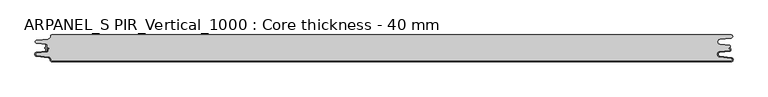
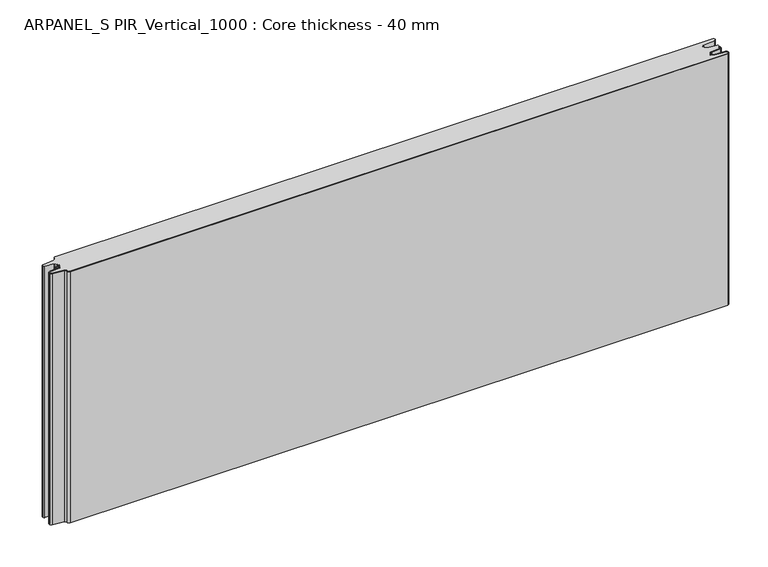
"""IFC4 building model written with IfcOpenShell, lengths in millimetres: plate geometry, ARPANEL_S PIR_Vertical_1000 : Core thickness - 40 mm."""

from ifc_helpers import new_model, si_unit, point, frame, frame_2d, origin, origin_with_axes, place, context, project, spatial, polyline, circle_curve, trimmed, segment, composite_curve, outline, extrude, source, transform, mapped, element, save
from ifc_brep_helpers import plane_surface, cylinder_surface, revolved_surface, advanced_brep


def arpanel_s_pir_vertical_1000_core_thickness_40_mm_3abf56da(model_context):
    return source(origin(), model_context, "Body", "SolidModel", [
        extrude(outline(composite_curve([segment(polyline([(-485.2854622, -19.4639745), (-484.0682894, -19.0209598), (-484.0682894, -15.20918)]), True, "CONTINUOUS"), segment(trimmed(circle_curve(frame_2d((-483.9194756, -17.302662)), 2.0987645), [point((-484.0682894, -15.20918))], [point((-482.465931, -15.7887199))], False, "CARTESIAN"), True, "CONTINUOUS"), segment(polyline([(-482.465931, -15.7887199), (-482.465931, -24.2112801)]), True, "CONTINUOUS"), segment(trimmed(circle_curve(frame_2d((-483.9194756, -22.697338)), 2.0987645), [point((-482.465931, -24.2112801))], [point((-484.0682894, -24.79082))], False, "CARTESIAN"), True, "CONTINUOUS"), segment(polyline([(-484.0682894, -24.79082), (-484.0682894, -20.9790402), (-485.2854622, -20.5360255), (-485.2854622, -19.4639745)]), True, "CONTINUOUS")], self_intersect=False)), origin_with_axes(), (0.0, 0.0, 1.0), 400.0),
        advanced_brep(
        [(-474.8000005, -39.2, 0.0), (516.0099318, -39.2, 0.0), (516.2343725, -34.6106719, 0.0), (499.7391168, -32.9932979, 0.0), (496.3100818, -29.1776715, 0.0), (499.7391168, -25.3620451, 0.0), (513.8708371, -23.9764178, 0.0), (513.734221, -21.1830995, 0.0), (513.734221, -20.3830995, 0.0), (513.9489034, -24.7725998, 0.0), (499.8171831, -26.1582271, 0.0), (497.1101218, -29.1776715, 0.0), (499.8171831, -32.197116, 0.0), (516.3124388, -33.81449, 0.0), (516.0099318, -39.9996949, 0.0), (-474.8000005, -39.9996949, 0.0), (-477.9923633, -36.5787437, 0.0), (-480.2560432, -33.9171154, 0.0), (-497.2115316, -32.2546153, 0.0), (-500.0, -29.1776715, 0.0), (-497.2115316, -26.1007278, 0.0), (-483.6195786, -24.7680252, 0.0), (-481.9952279, -22.9766159, 0.0), (-481.9952279, -21.8996949, 0.0), (-480.5952279, -20.4996949, 0.0), (-479.4952279, -20.4996949, 0.0), (-479.4952279, -21.2996949, 0.0), (-480.5952279, -21.2996949, 0.0), (-481.1952279, -21.8996949, 0.0), (-481.1952279, -22.9766159, 0.0), (-483.5415123, -25.5642071, 0.0), (-497.1334653, -26.8969097, 0.0), (-499.1999998, -29.1776715, 0.0), (-497.1334653, -31.4584333, 0.0), (-480.1779769, -33.1209335, 0.0), (-477.2078763, -36.6330399, 0.0), (-474.8000005, -39.1996949, 400.0), (-477.1942726, -36.6339815, 400.0), (-480.1779769, -33.1209335, 400.0), (-497.1334653, -31.4584333, 400.0), (-499.1999998, -29.1776715, 400.0), (-497.1334653, -26.8969097, 400.0), (-483.5415123, -25.5642071, 400.0), (-481.1952279, -22.9766159, 400.0), (-481.1952279, -21.8996949, 400.0), (-480.5952279, -21.2996949, 400.0), (-479.4952279, -21.2996949, 400.0), (-479.4952279, -20.4996949, 400.0), (-480.5952279, -20.4996949, 400.0), (-481.9952279, -21.8996949, 400.0), (-481.9952279, -22.9766159, 400.0), (-483.6195786, -24.7680252, 400.0), (-497.2115316, -26.1007278, 400.0), (-500.0, -29.1776715, 400.0), (-497.2115316, -32.2546153, 400.0), (-480.2560432, -33.9171154, 400.0), (-478.005967, -36.5778021, 400.0), (-474.8000005, -39.9996949, 400.0), (516.0099318, -39.9996949, 400.0), (516.3124388, -33.81449, 400.0), (499.8171831, -32.197116, 400.0), (497.1101218, -29.1776715, 400.0), (499.8171831, -26.1582271, 400.0), (513.9489034, -24.7725998, 400.0), (513.734221, -20.3830995, 400.0), (513.734221, -21.1830995, 400.0), (513.8708371, -23.9764178, 400.0), (499.7391168, -25.3620451, 400.0), (496.3100818, -29.1776715, 400.0), (499.7391168, -32.9932979, 400.0), (516.2343725, -34.6106719, 400.0), (516.0099318, -39.1996949, 400.0)],
        [
            (0, 1),
            (1, 2, circle_curve(frame((516.0099318, -36.8996949, 0.0), z_axis=(0.0, 0.0, 1.0), x_axis=(1.0, 0.0, 0.0)), 2.3)),
            (2, 3),
            (3, 4, circle_curve(frame((500.1099318, -29.2114338, 0.0), z_axis=(0.0, 0.0, -1.0), x_axis=(1.0, 0.0, 0.0)), 3.8)),
            (4, 5, circle_curve(frame((500.1099318, -29.1439093, 0.0), z_axis=(0.0, 0.0, -1.0), x_axis=(1.0, 0.0, 0.0)), 3.8)),
            (5, 6),
            (6, 7, circle_curve(frame((513.734221, -22.5830995, 0.0), z_axis=(0.0, 0.0, 1.0), x_axis=(1.0, 0.0, 0.0)), 1.4)),
            (7, 8),
            (8, 9, circle_curve(frame((513.734221, -22.5830995, 0.0), z_axis=(0.0, 0.0, -1.0), x_axis=(1.0, 0.0, 0.0)), 2.2)),
            (9, 10),
            (10, 11, circle_curve(frame((500.1099318, -29.1439093, 0.0), z_axis=(0.0, 0.0, 1.0), x_axis=(1.0, 0.0, 0.0)), 3.0)),
            (11, 12, circle_curve(frame((500.1099318, -29.2114338, 0.0), z_axis=(0.0, 0.0, 1.0), x_axis=(1.0, 0.0, 0.0)), 3.0)),
            (12, 13),
            (13, 14, circle_curve(frame((516.0099318, -36.8996949, 0.0), z_axis=(0.0, 0.0, -1.0), x_axis=(1.0, 0.0, 0.0)), 3.1)),
            (14, 15),
            (15, 16, circle_curve(frame((-474.8000005, -36.7996949, 0.0), z_axis=(0.0, 0.0, -1.0), x_axis=(1.0, 0.0, 0.0)), 3.2)),
            (16, 17, circle_curve(frame((-480.5000005, -36.4051839, 0.0), z_axis=(0.0, 0.0, 1.0), x_axis=(1.0, 0.0, 0.0)), 2.5)),
            (17, 18),
            (18, 19, circle_curve(frame((-496.9100005, -29.1793626, 0.0), z_axis=(0.0, 0.0, -1.0), x_axis=(1.0, 0.0, 0.0)), 3.09)),
            (19, 20, circle_curve(frame((-496.9100005, -29.1759805, 0.0), z_axis=(0.0, 0.0, -1.0), x_axis=(1.0, 0.0, 0.0)), 3.09)),
            (20, 21),
            (21, 22, circle_curve(frame((-483.7952279, -22.9766159, 0.0), z_axis=(0.0, 0.0, 1.0), x_axis=(1.0, 0.0, 0.0)), 1.8)),
            (22, 23),
            (23, 24, circle_curve(frame((-480.5952279, -21.8996949, 0.0), z_axis=(0.0, 0.0, -1.0), x_axis=(1.0, 0.0, 0.0)), 1.4)),
            (24, 25),
            (25, 26),
            (26, 27),
            (27, 28, circle_curve(frame((-480.5952279, -21.8996949, 0.0), z_axis=(0.0, 0.0, 1.0), x_axis=(1.0, 0.0, 0.0)), 0.6)),
            (28, 29),
            (29, 30, circle_curve(frame((-483.7952279, -22.9766159, 0.0), z_axis=(0.0, 0.0, -1.0), x_axis=(1.0, 0.0, 0.0)), 2.6)),
            (30, 31),
            (31, 32, circle_curve(frame((-496.9100005, -29.1759805, 0.0), z_axis=(0.0, 0.0, 1.0), x_axis=(1.0, 0.0, 0.0)), 2.29)),
            (32, 33, circle_curve(frame((-496.9100005, -29.1793626, 0.0), z_axis=(0.0, 0.0, 1.0), x_axis=(1.0, 0.0, 0.0)), 2.29)),
            (33, 34),
            (34, 35, circle_curve(frame((-480.5000005, -36.4051839, 0.0), z_axis=(0.0, 0.0, -1.0), x_axis=(1.0, 0.0, 0.0)), 3.3)),
            (35, 0, circle_curve(frame((-474.8000005, -36.7996949, 0.0), z_axis=(0.0, 0.0, 1.0), x_axis=(1.0, 0.0, 0.0)), 2.4)),
            (36, 37, circle_curve(frame((-474.8000005, -36.7996949, 400.0), z_axis=(0.0, 0.0, -1.0), x_axis=(1.0, 0.0, 0.0)), 2.4)),
            (37, 38, circle_curve(frame((-480.5000005, -36.4051839, 400.0), z_axis=(0.0, 0.0, 1.0), x_axis=(1.0, 0.0, 0.0)), 3.3)),
            (38, 39),
            (39, 40, circle_curve(frame((-496.9100005, -29.1793626, 400.0), z_axis=(0.0, 0.0, -1.0), x_axis=(1.0, 0.0, 0.0)), 2.29)),
            (40, 41, circle_curve(frame((-496.9100005, -29.1759805, 400.0), z_axis=(0.0, 0.0, -1.0), x_axis=(1.0, 0.0, 0.0)), 2.29)),
            (41, 42),
            (42, 43, circle_curve(frame((-483.7952279, -22.9766159, 400.0), z_axis=(0.0, 0.0, 1.0), x_axis=(1.0, 0.0, 0.0)), 2.6)),
            (43, 44),
            (44, 45, circle_curve(frame((-480.5952279, -21.8996949, 400.0), z_axis=(0.0, 0.0, -1.0), x_axis=(1.0, 0.0, 0.0)), 0.6)),
            (45, 46),
            (46, 47),
            (47, 48),
            (48, 49, circle_curve(frame((-480.5952279, -21.8996949, 400.0), z_axis=(0.0, 0.0, 1.0), x_axis=(1.0, 0.0, 0.0)), 1.4)),
            (49, 50),
            (50, 51, circle_curve(frame((-483.7952279, -22.9766159, 400.0), z_axis=(0.0, 0.0, -1.0), x_axis=(1.0, 0.0, 0.0)), 1.8)),
            (51, 52),
            (52, 53, circle_curve(frame((-496.9100005, -29.1759805, 400.0), z_axis=(0.0, 0.0, 1.0), x_axis=(1.0, 0.0, 0.0)), 3.09)),
            (53, 54, circle_curve(frame((-496.9100005, -29.1793626, 400.0), z_axis=(0.0, 0.0, 1.0), x_axis=(1.0, 0.0, 0.0)), 3.09)),
            (54, 55),
            (55, 56, circle_curve(frame((-480.5000005, -36.4051839, 400.0), z_axis=(0.0, 0.0, -1.0), x_axis=(1.0, 0.0, 0.0)), 2.5)),
            (56, 57, circle_curve(frame((-474.8000005, -36.7996949, 400.0), z_axis=(0.0, 0.0, 1.0), x_axis=(1.0, 0.0, 0.0)), 3.2)),
            (57, 58),
            (58, 59, circle_curve(frame((516.0099318, -36.8996949, 400.0), z_axis=(0.0, 0.0, 1.0), x_axis=(1.0, 0.0, 0.0)), 3.1)),
            (59, 60),
            (60, 61, circle_curve(frame((500.1099318, -29.2114338, 400.0), z_axis=(0.0, 0.0, -1.0), x_axis=(1.0, 0.0, 0.0)), 3.0)),
            (61, 62, circle_curve(frame((500.1099318, -29.1439093, 400.0), z_axis=(0.0, 0.0, -1.0), x_axis=(1.0, 0.0, 0.0)), 3.0)),
            (62, 63),
            (63, 64, circle_curve(frame((513.734221, -22.5830995, 400.0), z_axis=(0.0, 0.0, 1.0), x_axis=(1.0, 0.0, 0.0)), 2.2)),
            (64, 65),
            (65, 66, circle_curve(frame((513.734221, -22.5830995, 400.0), z_axis=(0.0, 0.0, -1.0), x_axis=(1.0, 0.0, 0.0)), 1.4)),
            (66, 67),
            (67, 68, circle_curve(frame((500.1099318, -29.1439093, 400.0), z_axis=(0.0, 0.0, 1.0), x_axis=(1.0, 0.0, 0.0)), 3.8)),
            (68, 69, circle_curve(frame((500.1099318, -29.2114338, 400.0), z_axis=(0.0, 0.0, 1.0), x_axis=(1.0, 0.0, 0.0)), 3.8)),
            (69, 70),
            (70, 71, circle_curve(frame((516.0099318, -36.8996949, 400.0), z_axis=(0.0, 0.0, -1.0), x_axis=(1.0, 0.0, 0.0)), 2.3)),
            (71, 36),
            (0, 36),
            (71, 1),
            (35, 37),
            (34, 38),
            (33, 39),
            (32, 40),
            (31, 41),
            (30, 42),
            (29, 43),
            (28, 44),
            (27, 45),
            (26, 46),
            (25, 47),
            (24, 48),
            (23, 49),
            (22, 50),
            (21, 51),
            (20, 52),
            (19, 53),
            (18, 54),
            (17, 55),
            (16, 56),
            (15, 57),
            (14, 58),
            (13, 59),
            (12, 60),
            (11, 61),
            (10, 62),
            (9, 63),
            (8, 64),
            (7, 65),
            (6, 66),
            (5, 67),
            (4, 68),
            (3, 69),
            (2, 70),
        ],
        [
            plane_surface(frame((-500.0, -40.0, 0.0), z_axis=(0.0, 0.0, -1.0), x_axis=(0.0, 1.0, 0.0))),
            plane_surface(frame((-500.0, -40.0, 400.0), z_axis=(0.0, 0.0, 1.0), x_axis=(0.0, 1.0, 0.0))),
            plane_surface(frame((-474.8000005, -39.2, 0.0), z_axis=(0.0, 1.0, 0.0), x_axis=(0.0, 0.0, 1.0))),
            revolved_surface(polyline([(-472.40000050000003, -36.7996949, 400.0), (-472.40000050000003, -36.7996949, 0.0)]), (-474.8000005, -36.7996949, 0.0), (0.0, 0.0, 1.0)),
            cylinder_surface(frame((-480.5000005, -36.4051839, 0.0), z_axis=(0.0, 0.0, -1.0), x_axis=(1.0, 0.0, 0.0)), 3.3),
            plane_surface(frame((-497.1334653, -31.4584333, 0.0), z_axis=(0.09758289975914758, 0.9952273999818314, 0.0), x_axis=(0.0, 0.0, 1.0))),
            revolved_surface(polyline([(-494.6200005, -29.1793626, 400.0), (-494.6200005, -29.1793626, 0.0)]), (-496.9100005, -29.1793626, 0.0), (0.0, 0.0, 1.0)),
            revolved_surface(polyline([(-494.6200005, -29.1759805, 400.0), (-494.6200005, -29.1759805, 0.0)]), (-496.9100005, -29.1759805, 0.0), (0.0, 0.0, 1.0)),
            plane_surface(frame((-483.5415123, -25.5642071, 0.0), z_axis=(0.09758289975914383, -0.9952273999818317, 0.0), x_axis=(0.0, 0.0, 1.0))),
            cylinder_surface(frame((-483.7952279, -22.9766159, 0.0), z_axis=(0.0, 0.0, -1.0), x_axis=(1.0, 0.0, 0.0)), 2.6),
            plane_surface(frame((-481.1952279, -21.8996949, 0.0), z_axis=(1.0, 0.0, 0.0), x_axis=(0.0, 0.0, 1.0))),
            revolved_surface(polyline([(-479.9952279, -21.8996949, 400.0), (-479.9952279, -21.8996949, 0.0)]), (-480.5952279, -21.8996949, 0.0), (0.0, 0.0, 1.0)),
            plane_surface(frame((-479.4952279, -21.2996949, 0.0), z_axis=(0.0, -1.0, 0.0), x_axis=(0.0, 0.0, 1.0))),
            plane_surface(frame((-479.4952279, -20.4996949, 0.0), z_axis=(1.0, 0.0, 0.0), x_axis=(0.0, 0.0, 1.0))),
            plane_surface(frame((-480.5952279, -20.4996949, 0.0), z_axis=(0.0, 1.0, 0.0), x_axis=(0.0, 0.0, 1.0))),
            cylinder_surface(frame((-480.5952279, -21.8996949, 0.0), z_axis=(0.0, 0.0, -1.0), x_axis=(1.0, 0.0, 0.0)), 1.4),
            plane_surface(frame((-481.9952279, -22.9766159, 0.0), z_axis=(-1.0, 0.0, 0.0), x_axis=(0.0, 0.0, 1.0))),
            revolved_surface(polyline([(-481.9952279, -22.9766159, 400.0), (-481.9952279, -22.9766159, 0.0)]), (-483.7952279, -22.9766159, 0.0), (0.0, 0.0, 1.0)),
            plane_surface(frame((-497.2115316, -26.1007278, 0.0), z_axis=(-0.09758289975914387, 0.9952273999818317, 0.0), x_axis=(0.0, 0.0, 1.0))),
            cylinder_surface(frame((-496.9100005, -29.1759805, 0.0), z_axis=(0.0, 0.0, -1.0), x_axis=(1.0, 0.0, 0.0)), 3.09),
            cylinder_surface(frame((-496.9100005, -29.1793626, 0.0), z_axis=(0.0, 0.0, -1.0), x_axis=(1.0, 0.0, 0.0)), 3.09),
            plane_surface(frame((-480.2560432, -33.9171154, 0.0), z_axis=(-0.09758289975914762, -0.9952273999818314, 0.0), x_axis=(0.0, 0.0, 1.0))),
            revolved_surface(polyline([(-478.0000005, -36.4051839, 400.0), (-478.0000005, -36.4051839, 0.0)]), (-480.5000005, -36.4051839, 0.0), (0.0, 0.0, 1.0)),
            cylinder_surface(frame((-474.8000005, -36.7996949, 0.0), z_axis=(0.0, 0.0, -1.0), x_axis=(1.0, 0.0, 0.0)), 3.2),
            plane_surface(frame((516.0099318, -39.9996949, 0.0), z_axis=(0.0, -1.0, 0.0), x_axis=(0.0, 0.0, 1.0))),
            cylinder_surface(frame((516.0099318, -36.8996949, 0.0), z_axis=(0.0, 0.0, -1.0), x_axis=(1.0, 0.0, 0.0)), 3.1),
            plane_surface(frame((499.8171831, -32.197116, 0.0), z_axis=(0.09758289975915109, 0.9952273999818311, 0.0), x_axis=(0.0, 0.0, 1.0))),
            revolved_surface(polyline([(503.1099318, -29.2114338, 400.0), (503.1099318, -29.2114338, 0.0)]), (500.1099318, -29.2114338, 0.0), (0.0, 0.0, 1.0)),
            revolved_surface(polyline([(503.1099318, -29.1439093, 400.0), (503.1099318, -29.1439093, 0.0)]), (500.1099318, -29.1439093, 0.0), (0.0, 0.0, 1.0)),
            plane_surface(frame((513.9489034, -24.7725998, 0.0), z_axis=(0.09758289975916205, -0.99522739998183, 0.0), x_axis=(0.0, 0.0, 1.0))),
            cylinder_surface(frame((513.734221, -22.5830995, 0.0), z_axis=(0.0, 0.0, -1.0), x_axis=(1.0, 0.0, 0.0)), 2.2),
            plane_surface(frame((513.734221, -21.1830995, 0.0), z_axis=(-1.0, 0.0, 0.0), x_axis=(0.0, 0.0, 1.0))),
            revolved_surface(polyline([(515.134221, -22.5830995, 400.0), (515.134221, -22.5830995, 0.0)]), (513.734221, -22.5830995, 0.0), (0.0, 0.0, 1.0)),
            plane_surface(frame((499.7391168, -25.3620451, 0.0), z_axis=(-0.0975828997591621, 0.9952273999818301, 0.0), x_axis=(0.0, 0.0, 1.0))),
            cylinder_surface(frame((500.1099318, -29.1439093, 0.0), z_axis=(0.0, 0.0, -1.0), x_axis=(1.0, 0.0, 0.0)), 3.8),
            cylinder_surface(frame((500.1099318, -29.2114338, 0.0), z_axis=(0.0, 0.0, -1.0), x_axis=(1.0, 0.0, 0.0)), 3.8),
            plane_surface(frame((516.2343725, -34.6106719, 0.0), z_axis=(-0.09758289975915109, -0.9952273999818311, 0.0), x_axis=(0.0, 0.0, 1.0))),
            revolved_surface(polyline([(518.3099318, -36.8996949, 400.0), (518.3099318, -36.8996949, 0.0)]), (516.0099318, -36.8996949, 0.0), (0.0, 0.0, 1.0)),
        ],
        [
            (0, [[1, 2, 3, 4, 5, 6, 7, 8, 9, 10, 11, 12, 13, 14, 15, 16, 17, 18, 19, 20, 21, 22, 23, 24, 25, 26, 27, 28, 29, 30, 31, 32, 33, 34, 35, 36]]),
            (1, [[37, 38, 39, 40, 41, 42, 43, 44, 45, 46, 47, 48, 49, 50, 51, 52, 53, 54, 55, 56, 57, 58, 59, 60, 61, 62, 63, 64, 65, 66, 67, 68, 69, 70, 71, 72]]),
            (2, [[-1, 73, -72, 74]]),
            (3, [[-36, 75, -37, -73]]),
            (4, [[-35, 76, -38, -75]]),
            (5, [[-34, 77, -39, -76]]),
            (6, [[-33, 78, -40, -77]]),
            (7, [[-32, 79, -41, -78]]),
            (8, [[-31, 80, -42, -79]]),
            (9, [[-30, 81, -43, -80]]),
            (10, [[-29, 82, -44, -81]]),
            (11, [[-28, 83, -45, -82]]),
            (12, [[-27, 84, -46, -83]]),
            (13, [[-26, 85, -47, -84]]),
            (14, [[-25, 86, -48, -85]]),
            (15, [[-24, 87, -49, -86]]),
            (16, [[-23, 88, -50, -87]]),
            (17, [[-22, 89, -51, -88]]),
            (18, [[-21, 90, -52, -89]]),
            (19, [[-20, 91, -53, -90]]),
            (20, [[-19, 92, -54, -91]]),
            (21, [[-18, 93, -55, -92]]),
            (22, [[-17, 94, -56, -93]]),
            (23, [[-16, 95, -57, -94]]),
            (24, [[-15, 96, -58, -95]]),
            (25, [[-14, 97, -59, -96]]),
            (26, [[-13, 98, -60, -97]]),
            (27, [[-12, 99, -61, -98]]),
            (28, [[-11, 100, -62, -99]]),
            (29, [[-10, 101, -63, -100]]),
            (30, [[-9, 102, -64, -101]]),
            (31, [[-8, 103, -65, -102]]),
            (32, [[-7, 104, -66, -103]]),
            (33, [[-6, 105, -67, -104]]),
            (34, [[-5, 106, -68, -105]]),
            (35, [[-4, 107, -69, -106]]),
            (36, [[-3, 108, -70, -107]]),
            (37, [[-2, -74, -71, -108]]),
        ],
    ),
        advanced_brep(
        [(-481.9952279, -17.0233841, 400.0), (-482.4671029, -15.8084422, 400.0), (-482.4671029, -24.1915578, 400.0), (-481.9952279, -22.9766159, 400.0), (-481.9952279, -21.8996949, 400.0), (-480.5952279, -20.4996949, 400.0), (-479.4952279, -20.4996949, 400.0), (-479.4952279, -21.2996949, 400.0), (-480.5952279, -21.2996949, 400.0), (-481.1952279, -21.8996949, 400.0), (-481.1952279, -22.9766159, 400.0), (-483.5415123, -25.5642071, 400.0), (-497.1334653, -26.8969097, 400.0), (-499.1999998, -29.1776715, 400.0), (-497.1334653, -31.4584333, 400.0), (-480.1779769, -33.1209335, 400.0), (-477.2078763, -36.6330399, 400.0), (-474.8000005, -39.1996949, 400.0), (516.0099318, -39.2, 400.0), (516.2343725, -34.6106719, 400.0), (499.7391168, -32.9932979, 400.0), (496.3100818, -29.1776715, 400.0), (499.7391168, -25.3620451, 400.0), (513.8708371, -23.9764178, 400.0), (513.734221, -21.1830995, 400.0), (513.734221, -20.3830995, 400.0), (514.7078125, -20.6102539, 400.0), (514.7078125, -19.3897461, 400.0), (513.734221, -19.6169005, 400.0), (513.734221, -18.8169005, 400.0), (513.8708371, -16.0235822, 400.0), (499.7391168, -14.6379549, 400.0), (496.3100818, -10.8223285, 400.0), (499.7391168, -7.0067021, 400.0), (516.2343725, -5.3893281, 400.0), (516.0099318, -0.8003051, 400.0), (-474.8000005, -0.8, 400.0), (-477.1942726, -3.3660185, 400.0), (-480.1779769, -6.8790665, 400.0), (-497.1334653, -8.5415667, 400.0), (-499.1999998, -10.8223285, 400.0), (-497.1334653, -13.1030903, 400.0), (-483.5415123, -14.4357929, 400.0), (-481.1952279, -17.0233841, 400.0), (-481.1952279, -18.1003051, 400.0), (-480.5952279, -18.7003051, 400.0), (-479.4952279, -18.7003051, 400.0), (-479.4952279, -19.5003051, 400.0), (-480.5952279, -19.5003051, 400.0), (-481.9952279, -18.1003051, 400.0), (-482.4671029, -15.8084422, 0.0), (-481.9952279, -17.0233841, 0.0), (-481.9952279, -18.1003051, 0.0), (-480.5952279, -19.5003051, 0.0), (-479.4952279, -19.5003051, 0.0), (-479.4952279, -18.7003051, 0.0), (-480.5952279, -18.7003051, 0.0), (-481.1952279, -18.1003051, 0.0), (-481.1952279, -17.0233841, 0.0), (-483.5415123, -14.4357929, 0.0), (-497.1334653, -13.1030903, 0.0), (-499.1999998, -10.8223285, 0.0), (-497.1334653, -8.5415667, 0.0), (-480.1779769, -6.8790665, 0.0), (-477.2078763, -3.3669601, 0.0), (-474.8000005, -0.8003051, 0.0), (516.0099318, -0.8, 0.0), (516.2343725, -5.3893281, 0.0), (499.7391168, -7.0067021, 0.0), (496.3100818, -10.8223285, 0.0), (499.7391168, -14.6379549, 0.0), (513.8708371, -16.0235822, 0.0), (514.6731279, -18.4553868, 0.0), (513.734221, -18.8169005, 0.0), (513.734221, -19.6169005, 0.0), (514.7078125, -19.3897461, 0.0), (514.7078125, -20.6102539, 0.0), (513.734221, -20.3830995, 0.0), (513.734221, -21.1830995, 0.0), (514.6731279, -21.5446132, 0.0), (513.8708371, -23.9764178, 0.0), (499.7391168, -25.3620451, 0.0), (496.3100818, -29.1776715, 0.0), (499.7391168, -32.9932979, 0.0), (516.2343725, -34.6106719, 0.0), (516.0099318, -39.1996949, 0.0), (-474.8000005, -39.2, 0.0), (-477.1942726, -36.6339815, 0.0), (-480.1779769, -33.1209335, 0.0), (-497.1334653, -31.4584333, 0.0), (-499.1999998, -29.1776715, 0.0), (-497.1334653, -26.8969097, 0.0), (-483.5415123, -25.5642071, 0.0), (-481.1952279, -22.9766159, 0.0), (-481.1952279, -21.8996949, 0.0), (-480.5952279, -21.2996949, 0.0), (-479.4952279, -21.2996949, 0.0), (-479.4952279, -20.4996949, 0.0), (-480.5952279, -20.4996949, 0.0), (-481.9952279, -21.8996949, 0.0), (-481.9952279, -22.9766159, 0.0), (-482.4671029, -24.1915578, 0.0)],
        [
            (0, 1, circle_curve(frame((-483.7952279, -17.0233841, 400.0), z_axis=(0.0, 0.0, 1.0), x_axis=(1.0, 0.0, 0.0)), 1.8)),
            (1, 2),
            (2, 3, circle_curve(frame((-483.7952279, -22.9766159, 400.0), z_axis=(0.0, 0.0, 1.0), x_axis=(1.0, 0.0, 0.0)), 1.8)),
            (3, 4),
            (4, 5, circle_curve(frame((-480.5952279, -21.8996949, 400.0), z_axis=(0.0, 0.0, -1.0), x_axis=(1.0, 0.0, 0.0)), 1.4)),
            (5, 6),
            (6, 7),
            (7, 8),
            (8, 9, circle_curve(frame((-480.5952279, -21.8996949, 400.0), z_axis=(0.0, 0.0, 1.0), x_axis=(1.0, 0.0, 0.0)), 0.6)),
            (9, 10),
            (10, 11, circle_curve(frame((-483.7952279, -22.9766159, 400.0), z_axis=(0.0, 0.0, -1.0), x_axis=(1.0, 0.0, 0.0)), 2.6)),
            (11, 12),
            (12, 13, circle_curve(frame((-496.9100005, -29.1759805, 400.0), z_axis=(0.0, 0.0, 1.0), x_axis=(1.0, 0.0, 0.0)), 2.29)),
            (13, 14, circle_curve(frame((-496.9100005, -29.1793626, 400.0), z_axis=(0.0, 0.0, 1.0), x_axis=(1.0, 0.0, 0.0)), 2.29)),
            (14, 15),
            (15, 16, circle_curve(frame((-480.5000005, -36.4051839, 400.0), z_axis=(0.0, 0.0, -1.0), x_axis=(1.0, 0.0, 0.0)), 3.3)),
            (16, 17, circle_curve(frame((-474.8000005, -36.7996949, 400.0), z_axis=(0.0, 0.0, 1.0), x_axis=(1.0, 0.0, 0.0)), 2.4)),
            (17, 18),
            (18, 19, circle_curve(frame((516.0099318, -36.8996949, 400.0), z_axis=(0.0, 0.0, 1.0), x_axis=(1.0, 0.0, 0.0)), 2.3)),
            (19, 20),
            (20, 21, circle_curve(frame((500.1099318, -29.2114338, 400.0), z_axis=(0.0, 0.0, -1.0), x_axis=(1.0, 0.0, 0.0)), 3.8)),
            (21, 22, circle_curve(frame((500.1099318, -29.1439093, 400.0), z_axis=(0.0, 0.0, -1.0), x_axis=(1.0, 0.0, 0.0)), 3.8)),
            (22, 23),
            (23, 24, circle_curve(frame((513.734221, -22.5830995, 400.0), z_axis=(0.0, 0.0, 1.0), x_axis=(1.0, 0.0, 0.0)), 1.4)),
            (24, 25),
            (25, 26, circle_curve(frame((513.734221, -22.5830995, 400.0), z_axis=(0.0, 0.0, -1.0), x_axis=(1.0, 0.0, 0.0)), 2.2)),
            (26, 27),
            (27, 28, circle_curve(frame((513.734221, -17.4169005, 400.0), z_axis=(0.0, 0.0, -1.0), x_axis=(1.0, 0.0, 0.0)), 2.2)),
            (28, 29),
            (29, 30, circle_curve(frame((513.734221, -17.4169005, 400.0), z_axis=(0.0, 0.0, 1.0), x_axis=(1.0, 0.0, 0.0)), 1.4)),
            (30, 31),
            (31, 32, circle_curve(frame((500.1099318, -10.8560907, 400.0), z_axis=(0.0, 0.0, -1.0), x_axis=(1.0, 0.0, 0.0)), 3.8)),
            (32, 33, circle_curve(frame((500.1099318, -10.7885662, 400.0), z_axis=(0.0, 0.0, -1.0), x_axis=(1.0, 0.0, 0.0)), 3.8)),
            (33, 34),
            (34, 35, circle_curve(frame((516.0099318, -3.1003051, 400.0), z_axis=(0.0, 0.0, 1.0), x_axis=(1.0, 0.0, 0.0)), 2.3)),
            (35, 36),
            (36, 37, circle_curve(frame((-474.8000005, -3.2003051, 400.0), z_axis=(0.0, 0.0, 1.0), x_axis=(1.0, 0.0, 0.0)), 2.4)),
            (37, 38, circle_curve(frame((-480.5000005, -3.5948161, 400.0), z_axis=(0.0, 0.0, -1.0), x_axis=(1.0, 0.0, 0.0)), 3.3)),
            (38, 39),
            (39, 40, circle_curve(frame((-496.9100005, -10.8206374, 400.0), z_axis=(0.0, 0.0, 1.0), x_axis=(1.0, 0.0, 0.0)), 2.29)),
            (40, 41, circle_curve(frame((-496.9100005, -10.8240195, 400.0), z_axis=(0.0, 0.0, 1.0), x_axis=(1.0, 0.0, 0.0)), 2.29)),
            (41, 42),
            (42, 43, circle_curve(frame((-483.7952279, -17.0233841, 400.0), z_axis=(0.0, 0.0, -1.0), x_axis=(1.0, 0.0, 0.0)), 2.6)),
            (43, 44),
            (44, 45, circle_curve(frame((-480.5952279, -18.1003051, 400.0), z_axis=(0.0, 0.0, 1.0), x_axis=(1.0, 0.0, 0.0)), 0.6)),
            (45, 46),
            (46, 47),
            (47, 48),
            (48, 49, circle_curve(frame((-480.5952279, -18.1003051, 400.0), z_axis=(0.0, 0.0, -1.0), x_axis=(1.0, 0.0, 0.0)), 1.4)),
            (49, 0),
            (50, 51, circle_curve(frame((-483.7952279, -17.0233841, 0.0), z_axis=(0.0, 0.0, -1.0), x_axis=(1.0, 0.0, 0.0)), 1.8)),
            (51, 52),
            (52, 53, circle_curve(frame((-480.5952279, -18.1003051, 0.0), z_axis=(0.0, 0.0, 1.0), x_axis=(1.0, 0.0, 0.0)), 1.4)),
            (53, 54),
            (54, 55),
            (55, 56),
            (56, 57, circle_curve(frame((-480.5952279, -18.1003051, 0.0), z_axis=(0.0, 0.0, -1.0), x_axis=(1.0, 0.0, 0.0)), 0.6)),
            (57, 58),
            (58, 59, circle_curve(frame((-483.7952279, -17.0233841, 0.0), z_axis=(0.0, 0.0, 1.0), x_axis=(1.0, 0.0, 0.0)), 2.6)),
            (59, 60),
            (60, 61, circle_curve(frame((-496.9100005, -10.8240195, 0.0), z_axis=(0.0, 0.0, -1.0), x_axis=(1.0, 0.0, 0.0)), 2.29)),
            (61, 62, circle_curve(frame((-496.9100005, -10.8206374, 0.0), z_axis=(0.0, 0.0, -1.0), x_axis=(1.0, 0.0, 0.0)), 2.29)),
            (62, 63),
            (63, 64, circle_curve(frame((-480.5000005, -3.5948161, 0.0), z_axis=(0.0, 0.0, 1.0), x_axis=(1.0, 0.0, 0.0)), 3.3)),
            (64, 65, circle_curve(frame((-474.8000005, -3.2003051, 0.0), z_axis=(0.0, 0.0, -1.0), x_axis=(1.0, 0.0, 0.0)), 2.4)),
            (65, 66),
            (66, 67, circle_curve(frame((516.0099318, -3.1003051, 0.0), z_axis=(0.0, 0.0, -1.0), x_axis=(1.0, 0.0, 0.0)), 2.3)),
            (67, 68),
            (68, 69, circle_curve(frame((500.1099318, -10.7885662, 0.0), z_axis=(0.0, 0.0, 1.0), x_axis=(1.0, 0.0, 0.0)), 3.8)),
            (69, 70, circle_curve(frame((500.1099318, -10.8560907, 0.0), z_axis=(0.0, 0.0, 1.0), x_axis=(1.0, 0.0, 0.0)), 3.8)),
            (70, 71),
            (71, 72, circle_curve(frame((513.734221, -17.4169005, 0.0), z_axis=(0.0, 0.0, -1.0), x_axis=(1.0, 0.0, 0.0)), 1.4)),
            (72, 73, circle_curve(frame((513.734221, -17.4169005, 0.0), z_axis=(0.0, 0.0, -1.0), x_axis=(1.0, 0.0, 0.0)), 1.4)),
            (73, 74),
            (74, 75, circle_curve(frame((513.734221, -17.4169005, 0.0), z_axis=(0.0, 0.0, 1.0), x_axis=(1.0, 0.0, 0.0)), 2.2)),
            (75, 76),
            (76, 77, circle_curve(frame((513.734221, -22.5830995, 0.0), z_axis=(0.0, 0.0, 1.0), x_axis=(1.0, 0.0, 0.0)), 2.2)),
            (77, 78),
            (78, 79, circle_curve(frame((513.734221, -22.5830995, 0.0), z_axis=(0.0, 0.0, -1.0), x_axis=(1.0, 0.0, 0.0)), 1.4)),
            (79, 80, circle_curve(frame((513.734221, -22.5830995, 0.0), z_axis=(0.0, 0.0, -1.0), x_axis=(1.0, 0.0, 0.0)), 1.4)),
            (80, 81),
            (81, 82, circle_curve(frame((500.1099318, -29.1439093, 0.0), z_axis=(0.0, 0.0, 1.0), x_axis=(1.0, 0.0, 0.0)), 3.8)),
            (82, 83, circle_curve(frame((500.1099318, -29.2114338, 0.0), z_axis=(0.0, 0.0, 1.0), x_axis=(1.0, 0.0, 0.0)), 3.8)),
            (83, 84),
            (84, 85, circle_curve(frame((516.0099318, -36.8996949, 0.0), z_axis=(0.0, 0.0, -1.0), x_axis=(1.0, 0.0, 0.0)), 2.3)),
            (85, 86),
            (86, 87, circle_curve(frame((-474.8000005, -36.7996949, 0.0), z_axis=(0.0, 0.0, -1.0), x_axis=(1.0, 0.0, 0.0)), 2.4)),
            (87, 88, circle_curve(frame((-480.5000005, -36.4051839, 0.0), z_axis=(0.0, 0.0, 1.0), x_axis=(1.0, 0.0, 0.0)), 3.3)),
            (88, 89),
            (89, 90, circle_curve(frame((-496.9100005, -29.1793626, 0.0), z_axis=(0.0, 0.0, -1.0), x_axis=(1.0, 0.0, 0.0)), 2.29)),
            (90, 91, circle_curve(frame((-496.9100005, -29.1759805, 0.0), z_axis=(0.0, 0.0, -1.0), x_axis=(1.0, 0.0, 0.0)), 2.29)),
            (91, 92),
            (92, 93, circle_curve(frame((-483.7952279, -22.9766159, 0.0), z_axis=(0.0, 0.0, 1.0), x_axis=(1.0, 0.0, 0.0)), 2.6)),
            (93, 94),
            (94, 95, circle_curve(frame((-480.5952279, -21.8996949, 0.0), z_axis=(0.0, 0.0, -1.0), x_axis=(1.0, 0.0, 0.0)), 0.6)),
            (95, 96),
            (96, 97),
            (97, 98),
            (98, 99, circle_curve(frame((-480.5952279, -21.8996949, 0.0), z_axis=(0.0, 0.0, 1.0), x_axis=(1.0, 0.0, 0.0)), 1.4)),
            (99, 100),
            (100, 101, circle_curve(frame((-483.7952279, -22.9766159, 0.0), z_axis=(0.0, 0.0, -1.0), x_axis=(1.0, 0.0, 0.0)), 1.8)),
            (101, 50),
            (1, 50),
            (101, 2),
            (25, 77),
            (76, 26),
            (24, 78),
            (23, 80),
            (22, 81),
            (21, 82),
            (20, 83),
            (19, 84),
            (18, 85),
            (17, 86),
            (16, 87),
            (15, 88),
            (14, 89),
            (13, 90),
            (12, 91),
            (11, 92),
            (10, 93),
            (9, 94),
            (8, 95),
            (7, 96),
            (6, 97),
            (5, 98),
            (4, 99),
            (3, 100),
            (75, 27),
            (0, 51),
            (49, 52),
            (48, 53),
            (47, 54),
            (46, 55),
            (45, 56),
            (44, 57),
            (43, 58),
            (42, 59),
            (41, 60),
            (40, 61),
            (39, 62),
            (38, 63),
            (37, 64),
            (36, 65),
            (35, 66),
            (34, 67),
            (33, 68),
            (32, 69),
            (31, 70),
            (30, 71),
            (29, 73),
            (28, 74),
        ],
        [
            plane_surface(frame((-500.0, 0.0, 400.0), z_axis=(0.0, 0.0, 1.0), x_axis=(0.0, -1.0, 0.0))),
            plane_surface(frame((-500.0, 0.0, 0.0), z_axis=(0.0, 0.0, -1.0), x_axis=(0.0, -1.0, 0.0))),
            plane_surface(frame((-482.4671029, -14.998578, 400.0), z_axis=(-1.0, 0.0, 0.0), x_axis=(0.0, 0.0, -1.0))),
            revolved_surface(polyline([(515.9342210000001, -22.5830995, 400.0), (515.9342210000001, -22.5830995, 0.0)]), (513.734221, -22.5830995, 530.0), (0.0, 0.0, 1.0)),
            plane_surface(frame((513.734221, -20.3830995, 530.0), z_axis=(1.0, 0.0, 0.0), x_axis=(0.0, 0.0, -1.0))),
            cylinder_surface(frame((513.734221, -22.5830995, 530.0), z_axis=(0.0, 0.0, -1.0), x_axis=(1.0, 0.0, 0.0)), 1.4),
            plane_surface(frame((513.8708371, -23.9764178, 530.0), z_axis=(0.0975828997591621, -0.9952273999818301, 0.0), x_axis=(0.0, 0.0, -1.0))),
            revolved_surface(polyline([(503.90993180000004, -29.1439093, 400.0), (503.90993180000004, -29.1439093, 0.0)]), (500.1099318, -29.1439093, 530.0), (0.0, 0.0, 1.0)),
            revolved_surface(polyline([(503.90993180000004, -29.2114338, 400.0), (503.90993180000004, -29.2114338, 0.0)]), (500.1099318, -29.2114338, 530.0), (0.0, 0.0, 1.0)),
            plane_surface(frame((499.7391168, -32.9932979, 530.0), z_axis=(0.09758289975915109, 0.9952273999818311, 0.0), x_axis=(0.0, 0.0, -1.0))),
            cylinder_surface(frame((516.0099318, -36.8996949, 530.0), z_axis=(0.0, 0.0, -1.0), x_axis=(1.0, 0.0, 0.0)), 2.3),
            plane_surface(frame((516.0099318, -39.2, 530.0), z_axis=(0.0, -1.0, 0.0), x_axis=(0.0, 0.0, -1.0))),
            cylinder_surface(frame((-474.8000005, -36.7996949, 530.0), z_axis=(0.0, 0.0, -1.0), x_axis=(1.0, 0.0, 0.0)), 2.4),
            revolved_surface(polyline([(-477.2000005, -36.4051839, 400.0), (-477.2000005, -36.4051839, 0.0)]), (-480.5000005, -36.4051839, 530.0), (0.0, 0.0, 1.0)),
            plane_surface(frame((-480.1779769, -33.1209335, 530.0), z_axis=(-0.09758289975914758, -0.9952273999818314, 0.0), x_axis=(0.0, 0.0, -1.0))),
            cylinder_surface(frame((-496.9100005, -29.1793626, 530.0), z_axis=(0.0, 0.0, -1.0), x_axis=(1.0, 0.0, 0.0)), 2.29),
            cylinder_surface(frame((-496.9100005, -29.1759805, 530.0), z_axis=(0.0, 0.0, -1.0), x_axis=(1.0, 0.0, 0.0)), 2.29),
            plane_surface(frame((-497.1334653, -26.8969097, 530.0), z_axis=(-0.09758289975914383, 0.9952273999818317, 0.0), x_axis=(0.0, 0.0, -1.0))),
            revolved_surface(polyline([(-481.19522789999996, -22.9766159, 400.0), (-481.19522789999996, -22.9766159, 0.0)]), (-483.7952279, -22.9766159, 530.0), (0.0, 0.0, 1.0)),
            plane_surface(frame((-481.1952279, -22.9766159, 530.0), z_axis=(-1.0, 0.0, 0.0), x_axis=(0.0, 0.0, -1.0))),
            cylinder_surface(frame((-480.5952279, -21.8996949, 530.0), z_axis=(0.0, 0.0, -1.0), x_axis=(1.0, 0.0, 0.0)), 0.6),
            plane_surface(frame((-480.5952279, -21.2996949, 530.0), z_axis=(0.0, 1.0, 0.0), x_axis=(0.0, 0.0, -1.0))),
            plane_surface(frame((-479.4952279, -21.2996949, 530.0), z_axis=(-1.0, 0.0, 0.0), x_axis=(0.0, 0.0, -1.0))),
            plane_surface(frame((-479.4952279, -20.4996949, 530.0), z_axis=(0.0, -1.0, 0.0), x_axis=(0.0, 0.0, -1.0))),
            revolved_surface(polyline([(-479.1952279, -21.8996949, 400.0), (-479.1952279, -21.8996949, 0.0)]), (-480.5952279, -21.8996949, 530.0), (0.0, 0.0, 1.0)),
            plane_surface(frame((-481.9952279, -21.8996949, 530.0), z_axis=(1.0, 0.0, 0.0), x_axis=(0.0, 0.0, -1.0))),
            cylinder_surface(frame((-483.7952279, -22.9766159, 530.0), z_axis=(0.0, 0.0, -1.0), x_axis=(1.0, 0.0, 0.0)), 1.8),
            plane_surface(frame((514.7078125, -21.50625, 400.0), z_axis=(1.0, 0.0, 0.0), x_axis=(0.0, 0.0, -1.0))),
            cylinder_surface(frame((-483.7952279, -17.0233841, 530.0), z_axis=(0.0, 0.0, -1.0), x_axis=(1.0, 0.0, 0.0)), 1.8),
            plane_surface(frame((-481.9952279, -17.0233841, 530.0), z_axis=(1.0, 0.0, 0.0), x_axis=(0.0, 0.0, -1.0))),
            revolved_surface(polyline([(-479.1952279, -18.1003051, 400.0), (-479.1952279, -18.1003051, 0.0)]), (-480.5952279, -18.1003051, 530.0), (0.0, 0.0, 1.0)),
            plane_surface(frame((-480.5952279, -19.5003051, 530.0), z_axis=(0.0, 1.0, 0.0), x_axis=(0.0, 0.0, -1.0))),
            plane_surface(frame((-479.4952279, -19.5003051, 530.0), z_axis=(-1.0, 0.0, 0.0), x_axis=(0.0, 0.0, -1.0))),
            plane_surface(frame((-479.4952279, -18.7003051, 530.0), z_axis=(0.0, -1.0, 0.0), x_axis=(0.0, 0.0, -1.0))),
            cylinder_surface(frame((-480.5952279, -18.1003051, 530.0), z_axis=(0.0, 0.0, -1.0), x_axis=(1.0, 0.0, 0.0)), 0.6),
            plane_surface(frame((-481.1952279, -18.1003051, 530.0), z_axis=(-1.0, 0.0, 0.0), x_axis=(0.0, 0.0, -1.0))),
            revolved_surface(polyline([(-481.19522789999996, -17.0233841, 400.0), (-481.19522789999996, -17.0233841, 0.0)]), (-483.7952279, -17.0233841, 530.0), (0.0, 0.0, 1.0)),
            plane_surface(frame((-483.5415123, -14.4357929, 530.0), z_axis=(-0.09758289975914705, -0.9952273999818314, 0.0), x_axis=(0.0, 0.0, -1.0))),
            cylinder_surface(frame((-496.9100005, -10.8240195, 530.0), z_axis=(0.0, 0.0, -1.0), x_axis=(1.0, 0.0, 0.0)), 2.29),
            cylinder_surface(frame((-496.9100005, -10.8206374, 530.0), z_axis=(0.0, 0.0, -1.0), x_axis=(1.0, 0.0, 0.0)), 2.29),
            plane_surface(frame((-497.1334653, -8.5415667, 530.0), z_axis=(-0.09758289975914436, 0.9952273999818317, 0.0), x_axis=(0.0, 0.0, -1.0))),
            revolved_surface(polyline([(-477.2000005, -3.5948161, 400.0), (-477.2000005, -3.5948161, 0.0)]), (-480.5000005, -3.5948161, 530.0), (0.0, 0.0, 1.0)),
            cylinder_surface(frame((-474.8000005, -3.2003051, 530.0), z_axis=(0.0, 0.0, -1.0), x_axis=(1.0, 0.0, 0.0)), 2.4),
            plane_surface(frame((-474.8000005, -0.8, 530.0), z_axis=(0.0, 1.0, 0.0), x_axis=(0.0, 0.0, -1.0))),
            cylinder_surface(frame((516.0099318, -3.1003051, 530.0), z_axis=(0.0, 0.0, -1.0), x_axis=(1.0, 0.0, 0.0)), 2.3),
            plane_surface(frame((516.2343725, -5.3893281, 530.0), z_axis=(0.09758289975914787, -0.9952273999818314, 0.0), x_axis=(0.0, 0.0, -1.0))),
            revolved_surface(polyline([(503.90993180000004, -10.7885662, 400.0), (503.90993180000004, -10.7885662, 0.0)]), (500.1099318, -10.7885662, 530.0), (0.0, 0.0, 1.0)),
            revolved_surface(polyline([(503.90993180000004, -10.8560907, 400.0), (503.90993180000004, -10.8560907, 0.0)]), (500.1099318, -10.8560907, 530.0), (0.0, 0.0, 1.0)),
            plane_surface(frame((499.7391168, -14.6379549, 530.0), z_axis=(0.09758289975916531, 0.9952273999818297, 0.0), x_axis=(0.0, 0.0, -1.0))),
            cylinder_surface(frame((513.734221, -17.4169005, 530.0), z_axis=(0.0, 0.0, -1.0), x_axis=(1.0, 0.0, 0.0)), 1.4),
            plane_surface(frame((513.734221, -18.8169005, 530.0), z_axis=(1.0, 0.0, 0.0), x_axis=(0.0, 0.0, -1.0))),
            revolved_surface(polyline([(515.9342210000001, -17.4169005, 400.0), (515.9342210000001, -17.4169005, 0.0)]), (513.734221, -17.4169005, 530.0), (0.0, 0.0, 1.0)),
        ],
        [
            (0, [[1, 2, 3, 4, 5, 6, 7, 8, 9, 10, 11, 12, 13, 14, 15, 16, 17, 18, 19, 20, 21, 22, 23, 24, 25, 26, 27, 28, 29, 30, 31, 32, 33, 34, 35, 36, 37, 38, 39, 40, 41, 42, 43, 44, 45, 46, 47, 48, 49, 50]]),
            (1, [[51, 52, 53, 54, 55, 56, 57, 58, 59, 60, 61, 62, 63, 64, 65, 66, 67, 68, 69, 70, 71, 72, 73, 74, 75, 76, 77, 78, 79, 80, 81, 82, 83, 84, 85, 86, 87, 88, 89, 90, 91, 92, 93, 94, 95, 96, 97, 98, 99, 100, 101, 102]]),
            (2, [[103, -102, 104, -2]]),
            (3, [[105, -77, 106, -26]]),
            (4, [[-105, -25, 107, -78]]),
            (5, [[-107, -24, 108, -80, -79]]),
            (6, [[-108, -23, 109, -81]]),
            (7, [[-109, -22, 110, -82]]),
            (8, [[-110, -21, 111, -83]]),
            (9, [[-111, -20, 112, -84]]),
            (10, [[-112, -19, 113, -85]]),
            (11, [[-113, -18, 114, -86]]),
            (12, [[-114, -17, 115, -87]]),
            (13, [[-115, -16, 116, -88]]),
            (14, [[-116, -15, 117, -89]]),
            (15, [[-117, -14, 118, -90]]),
            (16, [[-118, -13, 119, -91]]),
            (17, [[-119, -12, 120, -92]]),
            (18, [[-120, -11, 121, -93]]),
            (19, [[-121, -10, 122, -94]]),
            (20, [[-122, -9, 123, -95]]),
            (21, [[-123, -8, 124, -96]]),
            (22, [[-124, -7, 125, -97]]),
            (23, [[-125, -6, 126, -98]]),
            (24, [[-126, -5, 127, -99]]),
            (25, [[-127, -4, 128, -100]]),
            (26, [[-128, -3, -104, -101]]),
            (27, [[129, -27, -106, -76]]),
            (28, [[130, -51, -103, -1]]),
            (29, [[-130, -50, 131, -52]]),
            (30, [[-131, -49, 132, -53]]),
            (31, [[-132, -48, 133, -54]]),
            (32, [[-133, -47, 134, -55]]),
            (33, [[-134, -46, 135, -56]]),
            (34, [[-135, -45, 136, -57]]),
            (35, [[-136, -44, 137, -58]]),
            (36, [[-137, -43, 138, -59]]),
            (37, [[-138, -42, 139, -60]]),
            (38, [[-139, -41, 140, -61]]),
            (39, [[-140, -40, 141, -62]]),
            (40, [[-141, -39, 142, -63]]),
            (41, [[-142, -38, 143, -64]]),
            (42, [[-143, -37, 144, -65]]),
            (43, [[-144, -36, 145, -66]]),
            (44, [[-145, -35, 146, -67]]),
            (45, [[-146, -34, 147, -68]]),
            (46, [[-147, -33, 148, -69]]),
            (47, [[-148, -32, 149, -70]]),
            (48, [[-149, -31, 150, -71]]),
            (49, [[-150, -30, 151, -73, -72]]),
            (50, [[-151, -29, 152, -74]]),
            (51, [[-152, -28, -129, -75]]),
        ],
    ),
    ])


if __name__ == "__main__":
    model = new_model("IFC4")
    model_context = context("Model", 3, world=origin())
    ifc_project = project(units=[si_unit("LENGTHUNIT", "METRE", prefix="MILLI")], contexts=[model_context])
    site = spatial("IfcSite", under=ifc_project)
    building = spatial("IfcBuilding", under=site)
    placement = place(None, origin())
    arpanel_s_pir_vertical_1000_core_thickness_40_mm_shape = arpanel_s_pir_vertical_1000_core_thickness_40_mm_3abf56da(model_context)
    element("IfcPlate", 1, ObjectType="ARPANEL_S PIR_Vertical_1000 : Core thickness - 40 mm", at=placement, inside=building, context=model_context, shape_type="MappedRepresentation", body=[
        mapped(arpanel_s_pir_vertical_1000_core_thickness_40_mm_shape, transform((0.0, 0.0, 0.0), x_axis=(1.0, 0.0, 0.0), y_axis=(0.0, 1.0, 0.0), z_axis=(0.0, 0.0, 1.0))),
    ])
    save(model, "model.ifc")
